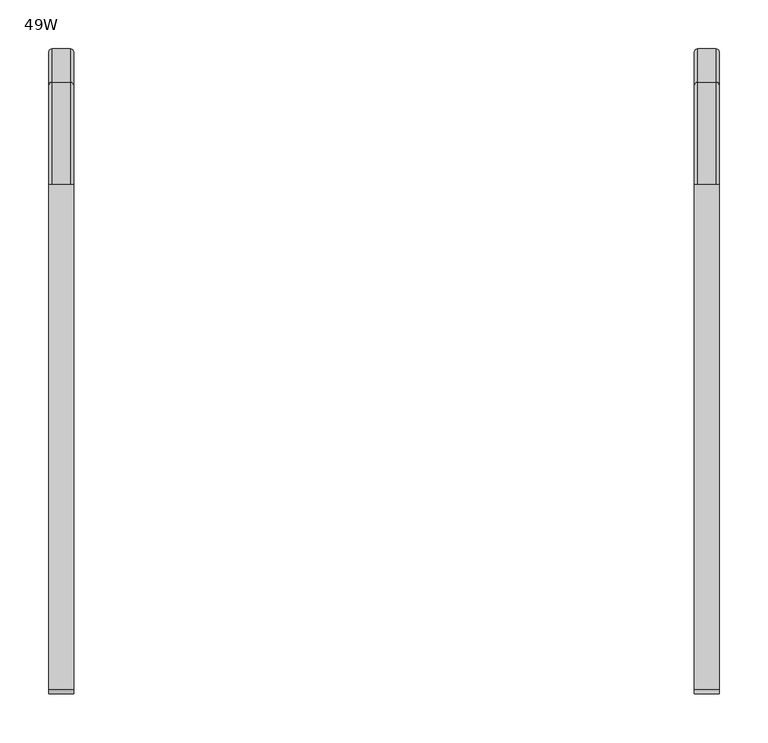
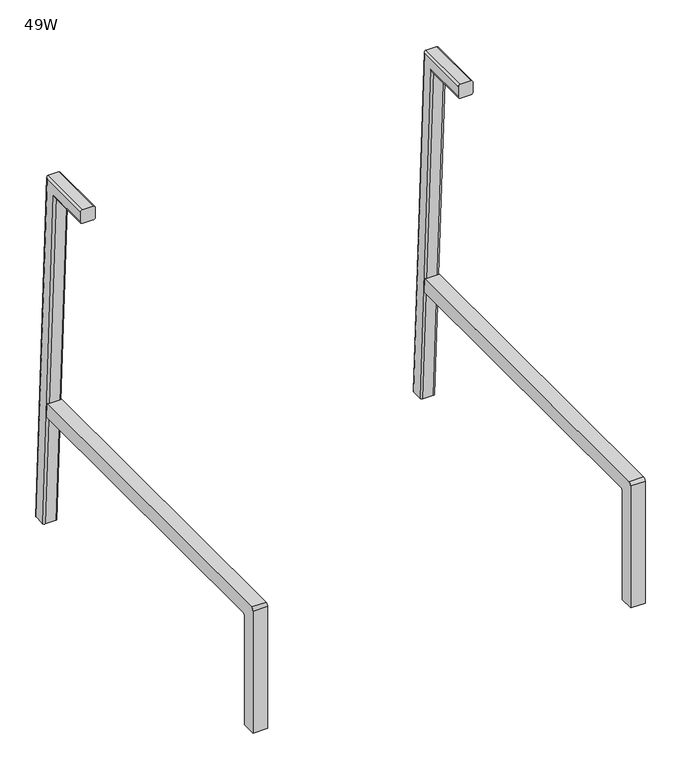
"""IFC4 building model written with IfcOpenShell, lengths in millimetres: furniture geometry, 49W."""

from ifc_helpers import new_model, si_unit, point, frame, frame_2d, origin, place, context, project, spatial, polyline, circle_curve, ellipse_curve, trimmed, segment, composite_curve, outline, extrude, source, transform, mapped, element, save
from ifc_brep_helpers import plane_surface, cylinder_surface, advanced_brep


def furniture_49w_e5539ab8(model_context):
    return source(origin(), model_context, "Body", "SolidModel", [
        advanced_brep(
        [(879.856, -140.07523, 663.2784096), (876.3, -140.07523, 659.7224096), (876.3, -140.07523, 641.490753), (879.856, -140.07523, 637.934753), (898.1815341, -140.07523, 637.934753), (901.7, -140.07523, 641.4532189), (901.7, -140.07523, 659.8422341), (898.2638245, -140.07523, 663.2784096), (898.2638245, -35.6046233, 663.2784096), (879.856, -35.6046233, 663.2784096), (901.7, -38.865432, 659.8422341), (901.7, -56.3159558, 641.4532189), (901.7, -23.4408219, 14.1582936), (901.7, -5.0770082, 15.1207003), (898.1815341, -59.6548553, 637.934753), (879.856, -59.6548553, 637.934753), (876.3, -56.2803373, 641.490753), (876.3, -38.9791413, 659.7224096), (876.3, -5.1966685, 15.1144291), (876.3, -23.4033392, 14.160258), (879.856, -1.6455419, 15.3005358), (898.2638245, -1.6455419, 15.3005358), (898.1815341, -26.9544658, 13.9741513), (879.856, -26.9544658, 13.9741513)],
        [
            (0, 1, circle_curve(frame((879.856, -140.07523, 659.7224096), z_axis=(0.0, -1.0, 0.0), x_axis=(0.0, 0.0, 1.0)), 3.556)),
            (1, 2),
            (2, 3, circle_curve(frame((879.856, -140.07523, 641.490753), z_axis=(0.0, -1.0, 0.0), x_axis=(0.0, 0.0, 1.0)), 3.556)),
            (3, 4),
            (4, 5, circle_curve(frame((898.1815341, -140.07523, 641.4532189), z_axis=(0.0, -1.0, 0.0), x_axis=(0.0, 0.0, 1.0)), 3.5184659)),
            (5, 6),
            (6, 7, circle_curve(frame((898.2638245, -140.07523, 659.8422341), z_axis=(0.0, -1.0, 0.0), x_axis=(0.0, 0.0, 1.0)), 3.4361755)),
            (7, 0),
            (7, 8),
            (8, 9),
            (9, 0),
            (6, 10),
            (10, 8, ellipse_curve(frame((898.2638245, -38.865432, 659.8422341), z_axis=(0.0, -0.7253743710122881, 0.6883545756937534), x_axis=(0.0, -0.6883545756937536, -0.725374371012288)), 4.7371062, 3.4361755)),
            (5, 11),
            (11, 12),
            (12, 13),
            (13, 10),
            (4, 14),
            (14, 11, ellipse_curve(frame((898.1815341, -56.3159558, 641.4532189), z_axis=(0.0, -0.7253743710122881, 0.6883545756937534), x_axis=(0.0, -0.6883545756937536, -0.725374371012288)), 4.8505517, 3.5184659)),
            (3, 15),
            (15, 14),
            (2, 16),
            (16, 15, ellipse_curve(frame((879.856, -56.2803373, 641.490753), z_axis=(0.0, -0.7253743710122881, 0.6883545756937534), x_axis=(0.0, -0.6883545756937536, -0.725374371012288)), 4.9022962, 3.556)),
            (1, 17),
            (17, 18),
            (18, 19),
            (19, 16),
            (9, 17, ellipse_curve(frame((879.856, -38.9791413, 659.7224096), z_axis=(0.0, -0.7253743710122881, 0.6883545756937534), x_axis=(0.0, -0.6883545756937536, -0.725374371012288)), 4.9022962, 3.556)),
            (20, 21),
            (21, 13, circle_curve(frame((898.2638245, -5.0770082, 15.1207003), z_axis=(0.0, 0.0523359562429453, -0.9986295347545738), x_axis=(0.0, 0.9986295347545738, 0.0523359562429453)), 3.4361755)),
            (12, 22, circle_curve(frame((898.1815341, -23.4408219, 14.1582936), z_axis=(0.0, 0.0523359562429453, -0.9986295347545738), x_axis=(0.0, 0.9986295347545738, 0.0523359562429453)), 3.5184659)),
            (22, 23),
            (23, 19, circle_curve(frame((879.856, -23.4033392, 14.160258), z_axis=(0.0, 0.0523359562429453, -0.9986295347545738), x_axis=(0.0, 0.9986295347545738, 0.0523359562429453)), 3.556)),
            (18, 20, circle_curve(frame((879.856, -5.1966685, 15.1144291), z_axis=(0.0, 0.0523359562429453, -0.9986295347545738), x_axis=(0.0, 0.9986295347545738, 0.0523359562429453)), 3.556)),
            (8, 21),
            (20, 9),
            (14, 22),
            (15, 23),
        ],
        [
            plane_surface(frame((901.7, -140.07523, 663.2784096), z_axis=(0.0, -1.0, 0.0), x_axis=(1.0, 0.0, 0.0))),
            plane_surface(frame((898.2638245, -140.07523, 663.2784096), z_axis=(0.0, 0.0, 1.0), x_axis=(0.0, 1.0, 0.0))),
            cylinder_surface(frame((898.2638245, -140.07523, 659.8422341), z_axis=(0.0, -1.0, 0.0), x_axis=(0.0, 0.0, 1.0)), 3.4361755),
            plane_surface(frame((901.7, -140.07523, 641.4532189), z_axis=(1.0, 0.0, 0.0), x_axis=(0.0, 1.0, 0.0))),
            cylinder_surface(frame((898.1815341, -140.07523, 641.4532189), z_axis=(0.0, -1.0, 0.0), x_axis=(0.0, 0.0, 1.0)), 3.5184659),
            plane_surface(frame((879.856, -140.07523, 637.934753), z_axis=(0.0, 0.0, -1.0), x_axis=(0.0, 1.0, 0.0))),
            cylinder_surface(frame((879.856, -140.07523, 641.490753), z_axis=(0.0, -1.0, 0.0), x_axis=(0.0, 0.0, 1.0)), 3.556),
            plane_surface(frame((876.3, -140.07523, 659.7224096), z_axis=(-1.0, 0.0, 0.0), x_axis=(0.0, 1.0, 0.0))),
            cylinder_surface(frame((879.856, -140.07523, 659.7224096), z_axis=(0.0, -1.0, 0.0), x_axis=(0.0, 0.0, 1.0)), 3.556),
            plane_surface(frame((901.7, -1.6455419, 15.3005358), z_axis=(0.0, 0.0523359562429453, -0.9986295347545738), x_axis=(1.0, 0.0, 0.0))),
            plane_surface(frame((898.2638245, -35.6046233, 663.2784096), z_axis=(0.0, 0.9986295347545738, 0.05233595624294533), x_axis=(0.0, 0.05233595624294533, -0.9986295347545738))),
            cylinder_surface(frame((898.2638245, -39.0360896, 663.098574), z_axis=(0.0, -0.0523359562429453, 0.9986295347545738), x_axis=(0.0, 0.9986295347545738, 0.0523359562429453)), 3.4361755),
            cylinder_surface(frame((898.1815341, -57.3999032, 662.1361674), z_axis=(0.0, -0.0523359562429453, 0.9986295347545738), x_axis=(0.0, 0.9986295347545738, 0.0523359562429453)), 3.5184659),
            plane_surface(frame((879.856, -59.6548553, 637.934753), z_axis=(0.0, -0.9986295347545738, -0.05233595624294535), x_axis=(0.0, 0.05233595624294535, -0.9986295347545738))),
            cylinder_surface(frame((879.856, -57.3624206, 662.1381317), z_axis=(0.0, -0.0523359562429453, 0.9986295347545738), x_axis=(0.0, 0.9986295347545738, 0.0523359562429453)), 3.556),
            cylinder_surface(frame((879.856, -39.1557499, 663.0923029), z_axis=(0.0, -0.0523359562429453, 0.9986295347545738), x_axis=(0.0, 0.9986295347545738, 0.0523359562429453)), 3.556),
        ],
        [
            (0, [[1, 2, 3, 4, 5, 6, 7, 8]]),
            (1, [[-8, 9, 10, 11]]),
            (2, [[-7, 12, 13, -9]]),
            (3, [[-6, 14, 15, 16, 17, -12]]),
            (4, [[-5, 18, 19, -14]]),
            (5, [[-4, 20, 21, -18]]),
            (6, [[-3, 22, 23, -20]]),
            (7, [[-2, 24, 25, 26, 27, -22]]),
            (8, [[-1, -11, 28, -24]]),
            (9, [[29, 30, -16, 31, 32, 33, -26, 34]]),
            (10, [[-10, 35, -29, 36]]),
            (11, [[-13, -17, -30, -35]]),
            (12, [[-19, 37, -31, -15]]),
            (13, [[-21, 38, -32, -37]]),
            (14, [[-23, -27, -33, -38]]),
            (15, [[-28, -36, -34, -25]]),
        ],
    ),
        advanced_brep(
        [(237.744, -140.07523, 663.2784096), (219.3361755, -140.07523, 663.2784096), (215.9, -140.07523, 659.8422341), (215.9, -140.07523, 641.4532189), (219.4184659, -140.07523, 637.934753), (237.744, -140.07523, 637.934753), (241.3, -140.07523, 641.490753), (241.3, -140.07523, 659.7224096), (237.744, -35.6046233, 663.2784096), (219.3361755, -35.6046233, 663.2784096), (215.9, -38.865432, 659.8422341), (215.9, -5.0770082, 15.1207003), (215.9, -23.4408219, 14.1582936), (215.9, -56.3159558, 641.4532189), (219.4184659, -59.6548553, 637.934753), (237.744, -59.6548553, 637.934753), (241.3, -56.2803373, 641.490753), (241.3, -23.4033392, 14.160258), (241.3, -5.1966685, 15.1144291), (241.3, -38.9791413, 659.7224096), (237.744, -1.6455419, 15.3005358), (237.744, -26.9544658, 13.9741513), (219.4184659, -26.9544658, 13.9741513), (219.3361755, -1.6455419, 15.3005358)],
        [
            (0, 1),
            (1, 2, circle_curve(frame((219.3361755, -140.07523, 659.8422341), z_axis=(0.0, -1.0, 0.0), x_axis=(0.0, 0.0, -1.0)), 3.4361755)),
            (2, 3),
            (3, 4, circle_curve(frame((219.4184659, -140.07523, 641.4532189), z_axis=(0.0, -1.0, 0.0), x_axis=(0.0, 0.0, -1.0)), 3.5184659)),
            (4, 5),
            (5, 6, circle_curve(frame((237.744, -140.07523, 641.490753), z_axis=(0.0, -1.0, 0.0), x_axis=(0.0, 0.0, -1.0)), 3.556)),
            (6, 7),
            (7, 0, circle_curve(frame((237.744, -140.07523, 659.7224096), z_axis=(0.0, -1.0, 0.0), x_axis=(0.0, 0.0, -1.0)), 3.556)),
            (0, 8),
            (8, 9),
            (9, 1),
            (9, 10, ellipse_curve(frame((219.3361755, -38.865432, 659.8422341), z_axis=(0.0, -0.7253743710122893, 0.6883545756937522), x_axis=(0.0, -0.6883545756937522, -0.7253743710122893)), 4.7371062, 3.4361755)),
            (10, 2),
            (10, 11),
            (11, 12),
            (12, 13),
            (13, 3),
            (13, 14, ellipse_curve(frame((219.4184659, -56.3159558, 641.4532189), z_axis=(0.0, -0.7253743710122893, 0.6883545756937522), x_axis=(0.0, -0.6883545756937522, -0.7253743710122893)), 4.8505517, 3.5184659)),
            (14, 4),
            (14, 15),
            (15, 5),
            (15, 16, ellipse_curve(frame((237.744, -56.2803373, 641.490753), z_axis=(0.0, -0.7253743710122893, 0.6883545756937522), x_axis=(0.0, -0.6883545756937522, -0.7253743710122893)), 4.9022962, 3.556)),
            (16, 6),
            (16, 17),
            (17, 18),
            (18, 19),
            (19, 7),
            (19, 8, ellipse_curve(frame((237.744, -38.9791413, 659.7224096), z_axis=(0.0, -0.7253743710122893, 0.6883545756937522), x_axis=(0.0, -0.6883545756937522, -0.7253743710122893)), 4.9022962, 3.556)),
            (20, 18, circle_curve(frame((237.744, -5.1966685, 15.1144291), z_axis=(0.0, 0.05233595624294532, -0.9986295347545738), x_axis=(0.0, -0.9986295347545738, -0.05233595624294532)), 3.556)),
            (17, 21, circle_curve(frame((237.744, -23.4033392, 14.160258), z_axis=(0.0, 0.05233595624294532, -0.9986295347545738), x_axis=(0.0, -0.9986295347545738, -0.05233595624294532)), 3.556)),
            (21, 22),
            (22, 12, circle_curve(frame((219.4184659, -23.4408219, 14.1582936), z_axis=(0.0, 0.05233595624294532, -0.9986295347545738), x_axis=(0.0, -0.9986295347545738, -0.05233595624294532)), 3.5184659)),
            (11, 23, circle_curve(frame((219.3361755, -5.0770082, 15.1207003), z_axis=(0.0, 0.05233595624294532, -0.9986295347545738), x_axis=(0.0, -0.9986295347545738, -0.05233595624294532)), 3.4361755)),
            (23, 20),
            (8, 20),
            (23, 9),
            (22, 14),
            (21, 15),
        ],
        [
            plane_surface(frame((215.9, -140.07523, 663.2784096), z_axis=(0.0, -1.0, 0.0), x_axis=(-1.0, 0.0, 0.0))),
            plane_surface(frame((237.744, -140.07523, 663.2784096), z_axis=(0.0, 0.0, 1.0), x_axis=(0.0, 1.0, 0.0))),
            cylinder_surface(frame((219.3361755, -140.07523, 659.8422341), z_axis=(0.0, -1.0, 0.0), x_axis=(0.0, 0.0, -1.0)), 3.4361755),
            plane_surface(frame((215.9, -140.07523, 659.8422341), z_axis=(-1.0, 0.0, 0.0), x_axis=(0.0, 1.0, 0.0))),
            cylinder_surface(frame((219.4184659, -140.07523, 641.4532189), z_axis=(0.0, -1.0, 0.0), x_axis=(0.0, 0.0, -1.0)), 3.5184659),
            plane_surface(frame((219.4184659, -140.07523, 637.934753), z_axis=(0.0, 0.0, -1.0), x_axis=(0.0, 1.0, 0.0))),
            cylinder_surface(frame((237.744, -140.07523, 641.490753), z_axis=(0.0, -1.0, 0.0), x_axis=(0.0, 0.0, -1.0)), 3.556),
            plane_surface(frame((241.3, -140.07523, 641.490753), z_axis=(1.0, 0.0, 0.0), x_axis=(0.0, 1.0, 0.0))),
            cylinder_surface(frame((237.744, -140.07523, 659.7224096), z_axis=(0.0, -1.0, 0.0), x_axis=(0.0, 0.0, -1.0)), 3.556),
            plane_surface(frame((215.9, -1.6455419, 15.3005358), z_axis=(0.0, 0.05233595624294531, -0.9986295347545738), x_axis=(-1.0, 0.0, 0.0))),
            plane_surface(frame((237.744, -35.6046233, 663.2784096), z_axis=(0.0, 0.9986295347545738, 0.05233595624294531), x_axis=(0.0, 0.05233595624294531, -0.9986295347545738))),
            cylinder_surface(frame((219.3361755, -39.0360896, 663.098574), z_axis=(0.0, -0.05233595624294532, 0.9986295347545738), x_axis=(0.0, -0.9986295347545738, -0.05233595624294532)), 3.4361755),
            cylinder_surface(frame((219.4184659, -57.3999032, 662.1361674), z_axis=(0.0, -0.05233595624294532, 0.9986295347545738), x_axis=(0.0, -0.9986295347545738, -0.05233595624294532)), 3.5184659),
            plane_surface(frame((219.4184659, -59.6548553, 637.934753), z_axis=(0.0, -0.9986295347545738, -0.05233595624294525), x_axis=(0.0, 0.05233595624294525, -0.9986295347545738))),
            cylinder_surface(frame((237.744, -57.3624206, 662.1381317), z_axis=(0.0, -0.05233595624294532, 0.9986295347545738), x_axis=(0.0, -0.9986295347545738, -0.05233595624294532)), 3.556),
            cylinder_surface(frame((237.744, -39.1557499, 663.0923029), z_axis=(0.0, -0.05233595624294532, 0.9986295347545738), x_axis=(0.0, -0.9986295347545738, -0.05233595624294532)), 3.556),
        ],
        [
            (0, [[1, 2, 3, 4, 5, 6, 7, 8]]),
            (1, [[-1, 9, 10, 11]]),
            (2, [[-2, -11, 12, 13]]),
            (3, [[-3, -13, 14, 15, 16, 17]]),
            (4, [[-4, -17, 18, 19]]),
            (5, [[-5, -19, 20, 21]]),
            (6, [[-6, -21, 22, 23]]),
            (7, [[-7, -23, 24, 25, 26, 27]]),
            (8, [[-8, -27, 28, -9]]),
            (9, [[29, -25, 30, 31, 32, -15, 33, 34]]),
            (10, [[-10, 35, -34, 36]]),
            (11, [[-12, -36, -33, -14]]),
            (12, [[-18, -16, -32, 37]]),
            (13, [[-20, -37, -31, 38]]),
            (14, [[-22, -38, -30, -24]]),
            (15, [[-28, -26, -29, -35]]),
        ],
    ),
        extrude(outline(composite_curve([segment(polyline([(-662.1146725, 14.1031489), (-662.1146725, 239.2936032)]), True, "CONTINUOUS"), segment(trimmed(circle_curve(frame_2d((-657.234081, 239.2936032)), 4.8805915), [point((-662.1146725, 239.2936032))], [point((-657.234081, 244.1741947))], False, "CARTESIAN"), True, "CONTINUOUS"), segment(polyline([(-657.234081, 244.1741947), (-39.0060493, 244.1741947), (-37.7444469, 218.7742432), (-633.6487025, 218.7742432)]), True, "CONTINUOUS"), segment(trimmed(circle_curve(frame_2d((-633.6487025, 215.7082732)), 3.06597), [point((-633.6487025, 218.7742432))], [point((-636.7146725, 215.7082732))], True, "CARTESIAN"), True, "CONTINUOUS"), segment(polyline([(-636.7146725, 215.7082732), (-636.7146725, 14.1031489), (-662.1146725, 14.1031489)]), True, "CONTINUOUS")], self_intersect=False)), frame((215.9, 0.0, 0.0), z_axis=(1.0, 0.0, 0.0), x_axis=(0.0, 1.0, 0.0)), (0.0, 0.0, 1.0), 25.4),
        extrude(outline(composite_curve([segment(polyline([(-662.1146725, 14.1031489), (-662.1146725, 239.2936032)]), True, "CONTINUOUS"), segment(trimmed(circle_curve(frame_2d((-657.234081, 239.2936032)), 4.8805915), [point((-662.1146725, 239.2936032))], [point((-657.234081, 244.1741947))], False, "CARTESIAN"), True, "CONTINUOUS"), segment(polyline([(-657.234081, 244.1741947), (-39.0060493, 244.1741947), (-37.7444469, 218.7742432), (-633.6487025, 218.7742432)]), True, "CONTINUOUS"), segment(trimmed(circle_curve(frame_2d((-633.6487025, 215.7082732)), 3.06597), [point((-633.6487025, 218.7742432))], [point((-636.7146725, 215.7082732))], True, "CARTESIAN"), True, "CONTINUOUS"), segment(polyline([(-636.7146725, 215.7082732), (-636.7146725, 14.1031489), (-662.1146725, 14.1031489)]), True, "CONTINUOUS")], self_intersect=False)), frame((876.3, 0.0, 0.0), z_axis=(1.0, 0.0, 0.0), x_axis=(0.0, 1.0, 0.0)), (0.0, 0.0, 1.0), 25.4),
    ])


if __name__ == "__main__":
    model = new_model("IFC4")
    model_context = context("Model", 3, world=origin())
    ifc_project = project(units=[si_unit("LENGTHUNIT", "METRE", prefix="MILLI")], contexts=[model_context])
    site = spatial("IfcSite", under=ifc_project)
    building = spatial("IfcBuilding", under=site)
    placement = place(None, origin())
    furniture_49w_shape = furniture_49w_e5539ab8(model_context)
    element("IfcFurniture", 1, ObjectType="49W", at=placement, inside=building, context=model_context, shape_type="MappedRepresentation", body=[
        mapped(furniture_49w_shape, transform((0.0, 0.0, 0.0), x_axis=(1.0, 0.0, 0.0), y_axis=(0.0, 1.0, 0.0), z_axis=(0.0, 0.0, 1.0))),
    ])
    save(model, "model.ifc")
